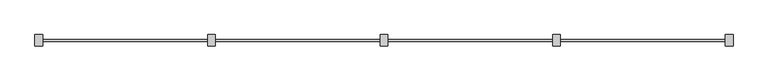
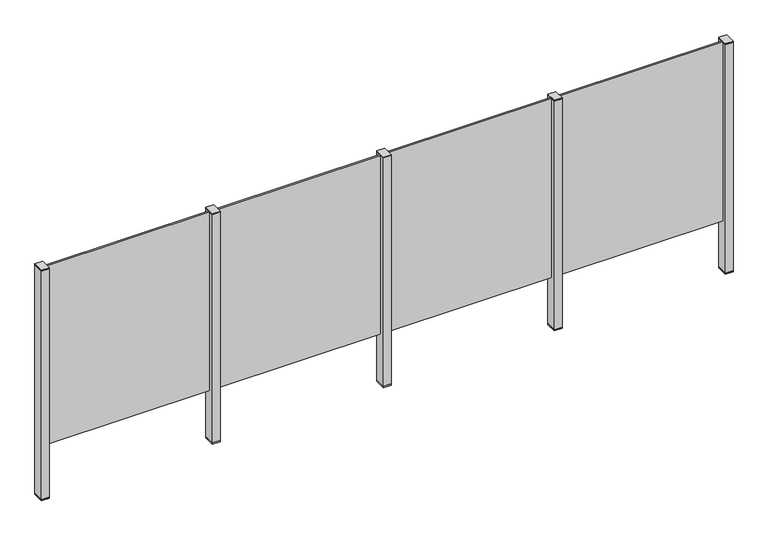
"""IFC4 building model written with IfcOpenShell, lengths in millimetres: railing geometry."""

import ifcopenshell
import ifcopenshell.guid

model = None  # the IFC model being written
_history = None  # IfcOwnerHistory: only IFC2X3 demands one
_inside = {}  # id of a spatial element -> (the spatial element, [elements in it])
_under = {}  # id of a project, library or spatial element -> (it, [spatial elements below it])
_declared = {}  # id of a project -> (the project, [libraries it declares])
_typed = {}  # id of a type object -> (the type object, [elements of that type])
_made_of = {}  # id of a material, layer set ... -> (it, [elements and type objects made of it])


def new_model(schema):
    """Start an empty IFC model of exactly this schema.

    Asked for "IFC4X3", IfcOpenShell would pick the latest addendum, in which some entities
    have other attributes; the version numbers below select the first issue.
    IFC2X3 requires an IfcOwnerHistory on every rooted entity: one is made here for all.
    """
    global model, _history
    if schema == "IFC4X3":
        model = ifcopenshell.file(schema_version=(4, 3, 0, 0))
    else:
        model = ifcopenshell.file(schema=schema)
    _inside.clear()
    _under.clear()
    _declared.clear()
    _typed.clear()
    _made_of.clear()
    _history = None
    if model.schema == "IFC2X3":
        org = make("IfcOrganization", Name="unknown")
        user = make(
            "IfcPersonAndOrganization",
            ThePerson=make("IfcPerson", FamilyName="unknown"),
            TheOrganization=org,
        )
        app = make(
            "IfcApplication",
            ApplicationDeveloper=org,
            Version="unknown",
            ApplicationFullName="unknown",
            ApplicationIdentifier="unknown",
        )
        _history = make(
            "IfcOwnerHistory",
            OwningUser=user,
            OwningApplication=app,
            ChangeAction="ADDED",
            CreationDate=0,
        )
    return model


def make(cls, **values):
    """One entity of the class cls with the attributes given. An attribute that is None is left unset."""
    return model.create_entity(
        cls, **{name: value for name, value in values.items() if value is not None}
    )


def rooted(cls, **values):
    """An entity with a GlobalId (a new one), such as an element, a storey or a relation."""
    return make(cls, GlobalId=ifcopenshell.guid.new(), OwnerHistory=_history, **values)


def si_unit(unit_type, name, prefix=None):
    """IfcSIUnit, for example si_unit("LENGTHUNIT", "METRE", prefix="MILLI")."""
    return make("IfcSIUnit", UnitType=unit_type, Prefix=prefix, Name=name)


def assignment(units):
    """IfcUnitAssignment: the units of a project."""
    return None if units is None else make("IfcUnitAssignment", Units=units)


def point(xyz):
    """IfcCartesianPoint."""
    return None if xyz is None else make("IfcCartesianPoint", Coordinates=xyz)


def direction(xyz):
    """IfcDirection."""
    return None if xyz is None else make("IfcDirection", DirectionRatios=xyz)


def frame(location, z_axis=None, x_axis=None):
    """IfcAxis2Placement3D, a coordinate frame: its origin and axes. An axis left out is left unset."""
    return make(
        "IfcAxis2Placement3D",
        Location=point(location),
        Axis=direction(z_axis),
        RefDirection=direction(x_axis),
    )


def origin():
    """The frame at (0, 0, 0) with its axes left unset."""
    return frame((0.0, 0.0, 0.0))


def place(relative_to, where):
    """IfcLocalPlacement: puts the frame where relative to a parent placement (None: the world)."""
    return make(
        "IfcLocalPlacement", PlacementRelTo=relative_to, RelativePlacement=where
    )


def context(
    kind, dimensions, precision=None, world=None, true_north=None, identifier=None
):
    """IfcGeometricRepresentationContext, for example the 3D "Model" context."""
    return make(
        "IfcGeometricRepresentationContext",
        ContextIdentifier=identifier,
        ContextType=kind,
        CoordinateSpaceDimension=dimensions,
        Precision=precision,
        WorldCoordinateSystem=world,
        TrueNorth=true_north,
    )


def project(units=None, contexts=None):
    """IfcProject with its units and contexts."""
    return rooted(
        "IfcProject",
        Name="project",
        RepresentationContexts=contexts,
        UnitsInContext=assignment(units),
    )


def spatial(cls, under=None, at=None, **own):
    """A site, building, storey or space (cls), placed at a placement, below another one or the project."""
    s = rooted(cls, ObjectPlacement=at, **own)
    if under is not None:
        _under.setdefault(under.id(), (under, []))[1].append(s)
    return s


def polyline(points):
    """IfcPolyline through the points."""
    return make("IfcPolyline", Points=[point(p) for p in points])


def outline(outer, holes=None, kind="AREA"):
    """IfcArbitraryClosedProfileDef: a profile drawn as a closed curve; with holes, ...WithVoids."""
    if holes is None:
        return make("IfcArbitraryClosedProfileDef", ProfileType=kind, OuterCurve=outer)
    return make(
        "IfcArbitraryProfileDefWithVoids",
        ProfileType=kind,
        OuterCurve=outer,
        InnerCurves=holes,
    )


def extrude(swept, where, along, depth):
    """IfcExtrudedAreaSolid: the profile swept, set in the frame where, extruded along a direction by depth."""
    return make(
        "IfcExtrudedAreaSolid",
        SweptArea=swept,
        Position=where,
        ExtrudedDirection=direction(along),
        Depth=depth,
    )


def shape(context_of_items, identifier, shape_type, items):
    """IfcShapeRepresentation: the items that make up one representation, for example the "Body"."""
    return make(
        "IfcShapeRepresentation",
        ContextOfItems=context_of_items,
        RepresentationIdentifier=identifier,
        RepresentationType=shape_type,
        Items=items,
    )


def source(mapping_origin, context_of_items, identifier, shape_type, items):
    """IfcRepresentationMap: a shape defined once, which mapped items show again and again."""
    return make(
        "IfcRepresentationMap",
        MappingOrigin=mapping_origin,
        MappedRepresentation=shape(context_of_items, identifier, shape_type, items),
    )


def transform(
    local_origin,
    x_axis=None,
    y_axis=None,
    z_axis=None,
    scale=None,
    scale2=None,
    scale3=None,
    uniform=True,
):
    """IfcCartesianTransformationOperator3D, or its non-uniform kind. x_axis, y_axis, z_axis: its Axis1, 2, 3."""
    if uniform:
        return make(
            "IfcCartesianTransformationOperator3D",
            Axis1=direction(x_axis),
            Axis2=direction(y_axis),
            LocalOrigin=point(local_origin),
            Scale=scale,
            Axis3=direction(z_axis),
        )
    return make(
        "IfcCartesianTransformationOperator3DnonUniform",
        Axis1=direction(x_axis),
        Axis2=direction(y_axis),
        LocalOrigin=point(local_origin),
        Scale=scale,
        Axis3=direction(z_axis),
        Scale2=scale2,
        Scale3=scale3,
    )


def mapped(mapping_source, mapping_target):
    """IfcMappedItem: shows the shape of a source again, moved by a transform."""
    return make(
        "IfcMappedItem", MappingSource=mapping_source, MappingTarget=mapping_target
    )


def made_of(thing, what):
    """Note that an element or type object is made of a material, layer set ...; save() writes the relation."""
    if what is not None:
        _made_of.setdefault(what.id(), (what, []))[1].append(thing)
    return thing


def element(
    cls,
    number,
    at=None,
    inside=None,
    cuts=None,
    type_object=None,
    material=None,
    context=None,
    identifier="Body",
    shape_type=None,
    held_by="IfcProductDefinitionShape",
    body=None,
    shapes=None,
    **own,
):
    """One element of the class cls, such as IfcWall. Its Tag is "e" and its number.

    at: its placement. inside: the storey or other place that contains it. cuts: it is an
    opening in that element (IfcRelVoidsElement). A single representation is given by context,
    identifier, shape_type and body (its items); several are given by shapes. held_by: the class
    of the entity that holds the representations. save() writes the other relations.
    """
    e = rooted(cls, Tag="e%d" % number, ObjectPlacement=at, **own)
    if body is not None:
        shapes = [shape(context, identifier, shape_type, body)]
    if shapes is not None:
        e.Representation = make(held_by, Representations=shapes)
    if inside is not None:
        _inside.setdefault(inside.id(), (inside, []))[1].append(e)
    if cuts is not None:
        rooted(
            "IfcRelVoidsElement", RelatingBuildingElement=cuts, RelatedOpeningElement=e
        )
    if type_object is not None:
        _typed.setdefault(type_object.id(), (type_object, []))[1].append(e)
    return made_of(e, material)


def aggregate(whole, parts):
    """IfcRelAggregates: a whole, such as a stair, and the parts it consists of."""
    return rooted("IfcRelAggregates", RelatingObject=whole, RelatedObjects=parts)


def save(model, path):
    """Write the relations noted so far, then the file.

    IfcRelAggregates (storeys below a building ...), IfcRelContainedInSpatialStructure (elements
    in a storey), IfcRelDefinesByType, IfcRelAssociatesMaterial and IfcRelDeclares: one each for
    every whole, place, type object, material and project.
    """
    for whole, parts in _under.values():
        aggregate(whole, parts)
    for where, things in _inside.values():
        rooted(
            "IfcRelContainedInSpatialStructure",
            RelatedElements=things,
            RelatingStructure=where,
        )
    for kind, things in _typed.values():
        rooted("IfcRelDefinesByType", RelatedObjects=things, RelatingType=kind)
    for what, things in _made_of.values():
        rooted("IfcRelAssociatesMaterial", RelatedObjects=things, RelatingMaterial=what)
    for by, libraries in _declared.values():
        rooted("IfcRelDeclares", RelatingContext=by, RelatedDefinitions=libraries)
    model.write(path)


def railing_cdfc5dce(model_context):
    return source(origin(), model_context, "Body", "SweptSolid", [
        extrude(outline(polyline([(81237.0, 2361.9094929), (81237.0, 2371.9094929), (82217.0, 2371.9094929), (82217.0, 2361.9094929), (81237.0, 2361.9094929)])), frame((0.0, 0.0, 95.0), z_axis=(0.0, 0.0, 1.0), x_axis=(1.0, 0.0, 0.0)), (0.0, 0.0, 1.0), 1105.0),
        extrude(outline(polyline([(81249.5, 2400.1846828), (81249.5, 2335.1846828), (81204.5, 2335.1846828), (81204.5, 2400.1846828), (81249.5, 2400.1846828)])), frame((0.0, 0.0, 1200.0), z_axis=(0.0, 0.0, 1.0), x_axis=(1.0, 0.0, 0.0)), (0.0, 0.0, 1.0), 5.0),
        extrude(outline(polyline([(81249.5, 2400.1846828), (81249.5, 2335.1846828), (81204.5, 2335.1846828), (81204.5, 2400.1846828), (81249.5, 2400.1846828)])), frame((0.0, 0.0, -212.0), z_axis=(0.0, 0.0, 1.0), x_axis=(1.0, 0.0, 0.0)), (0.0, 0.0, 1.0), 1412.0),
        extrude(outline(polyline([(81249.5, 2400.1846828), (81249.5, 2335.1846828), (81204.5, 2335.1846828), (81204.5, 2400.1846828), (81249.5, 2400.1846828)])), frame((0.0, 0.0, -220.0), z_axis=(0.0, 0.0, 1.0), x_axis=(1.0, 0.0, 0.0)), (0.0, 0.0, 1.0), 8.0),
        extrude(outline(polyline([(80237.0, 2361.9094929), (80237.0, 2371.9094929), (81217.0, 2371.9094929), (81217.0, 2361.9094929), (80237.0, 2361.9094929)])), frame((0.0, 0.0, 95.0), z_axis=(0.0, 0.0, 1.0), x_axis=(1.0, 0.0, 0.0)), (0.0, 0.0, 1.0), 1105.0),
        extrude(outline(polyline([(80249.5, 2400.1846828), (80249.5, 2335.1846828), (80204.5, 2335.1846828), (80204.5, 2400.1846828), (80249.5, 2400.1846828)])), frame((0.0, 0.0, 1200.0), z_axis=(0.0, 0.0, 1.0), x_axis=(1.0, 0.0, 0.0)), (0.0, 0.0, 1.0), 5.0),
        extrude(outline(polyline([(80249.5, 2400.1846828), (80249.5, 2335.1846828), (80204.5, 2335.1846828), (80204.5, 2400.1846828), (80249.5, 2400.1846828)])), frame((0.0, 0.0, -212.0), z_axis=(0.0, 0.0, 1.0), x_axis=(1.0, 0.0, 0.0)), (0.0, 0.0, 1.0), 1412.0),
        extrude(outline(polyline([(80249.5, 2400.1846828), (80249.5, 2335.1846828), (80204.5, 2335.1846828), (80204.5, 2400.1846828), (80249.5, 2400.1846828)])), frame((0.0, 0.0, -220.0), z_axis=(0.0, 0.0, 1.0), x_axis=(1.0, 0.0, 0.0)), (0.0, 0.0, 1.0), 8.0),
        extrude(outline(polyline([(79237.0, 2361.9094929), (79237.0, 2371.9094929), (80217.0, 2371.9094929), (80217.0, 2361.9094929), (79237.0, 2361.9094929)])), frame((0.0, 0.0, 95.0), z_axis=(0.0, 0.0, 1.0), x_axis=(1.0, 0.0, 0.0)), (0.0, 0.0, 1.0), 1105.0),
        extrude(outline(polyline([(79249.5, 2400.1846828), (79249.5, 2335.1846828), (79204.5, 2335.1846828), (79204.5, 2400.1846828), (79249.5, 2400.1846828)])), frame((0.0, 0.0, 1200.0), z_axis=(0.0, 0.0, 1.0), x_axis=(1.0, 0.0, 0.0)), (0.0, 0.0, 1.0), 5.0),
        extrude(outline(polyline([(79249.5, 2400.1846828), (79249.5, 2335.1846828), (79204.5, 2335.1846828), (79204.5, 2400.1846828), (79249.5, 2400.1846828)])), frame((0.0, 0.0, -212.0), z_axis=(0.0, 0.0, 1.0), x_axis=(1.0, 0.0, 0.0)), (0.0, 0.0, 1.0), 1412.0),
        extrude(outline(polyline([(79249.5, 2400.1846828), (79249.5, 2335.1846828), (79204.5, 2335.1846828), (79204.5, 2400.1846828), (79249.5, 2400.1846828)])), frame((0.0, 0.0, -220.0), z_axis=(0.0, 0.0, 1.0), x_axis=(1.0, 0.0, 0.0)), (0.0, 0.0, 1.0), 8.0),
        extrude(outline(polyline([(78237.0, 2361.9094929), (78237.0, 2371.9094929), (79217.0, 2371.9094929), (79217.0, 2361.9094929), (78237.0, 2361.9094929)])), frame((0.0, 0.0, 95.0), z_axis=(0.0, 0.0, 1.0), x_axis=(1.0, 0.0, 0.0)), (0.0, 0.0, 1.0), 1105.0),
        extrude(outline(polyline([(82249.5, 2400.1846828), (82249.5, 2335.1846828), (82204.5, 2335.1846828), (82204.5, 2400.1846828), (82249.5, 2400.1846828)])), frame((0.0, 0.0, 1200.0), z_axis=(0.0, 0.0, 1.0), x_axis=(1.0, 0.0, 0.0)), (0.0, 0.0, 1.0), 5.0),
        extrude(outline(polyline([(82249.5, 2400.1846828), (82249.5, 2335.1846828), (82204.5, 2335.1846828), (82204.5, 2400.1846828), (82249.5, 2400.1846828)])), frame((0.0, 0.0, -212.0), z_axis=(0.0, 0.0, 1.0), x_axis=(1.0, 0.0, 0.0)), (0.0, 0.0, 1.0), 1412.0),
        extrude(outline(polyline([(82249.5, 2400.1846828), (82249.5, 2335.1846828), (82204.5, 2335.1846828), (82204.5, 2400.1846828), (82249.5, 2400.1846828)])), frame((0.0, 0.0, -220.0), z_axis=(0.0, 0.0, 1.0), x_axis=(1.0, 0.0, 0.0)), (0.0, 0.0, 1.0), 8.0),
        extrude(outline(polyline([(78249.5, 2400.1846828), (78249.5, 2335.1846828), (78204.5, 2335.1846828), (78204.5, 2400.1846828), (78249.5, 2400.1846828)])), frame((0.0, 0.0, 1200.0), z_axis=(0.0, 0.0, 1.0), x_axis=(1.0, 0.0, 0.0)), (0.0, 0.0, 1.0), 5.0),
        extrude(outline(polyline([(78249.5, 2400.1846828), (78249.5, 2335.1846828), (78204.5, 2335.1846828), (78204.5, 2400.1846828), (78249.5, 2400.1846828)])), frame((0.0, 0.0, -212.0), z_axis=(0.0, 0.0, 1.0), x_axis=(1.0, 0.0, 0.0)), (0.0, 0.0, 1.0), 1412.0),
        extrude(outline(polyline([(78249.5, 2400.1846828), (78249.5, 2335.1846828), (78204.5, 2335.1846828), (78204.5, 2400.1846828), (78249.5, 2400.1846828)])), frame((0.0, 0.0, -220.0), z_axis=(0.0, 0.0, 1.0), x_axis=(1.0, 0.0, 0.0)), (0.0, 0.0, 1.0), 8.0),
    ])


if __name__ == "__main__":
    model = new_model("IFC4")
    model_context = context("Model", 3, world=origin())
    ifc_project = project(units=[si_unit("LENGTHUNIT", "METRE", prefix="MILLI")], contexts=[model_context])
    site = spatial("IfcSite", under=ifc_project)
    building = spatial("IfcBuilding", under=site)
    placement = place(None, origin())
    railing_shape = railing_cdfc5dce(model_context)
    element("IfcRailing", 1, at=placement, inside=building, context=model_context, shape_type="MappedRepresentation", body=[
        mapped(railing_shape, transform((0.0, 0.0, 0.0), x_axis=(1.0, 0.0, 0.0), y_axis=(0.0, 1.0, 0.0), z_axis=(0.0, 0.0, 1.0))),
    ])
    save(model, "model.ifc")
